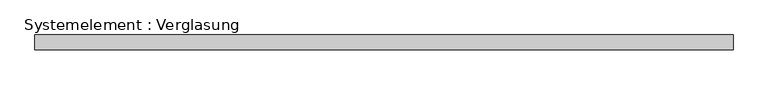
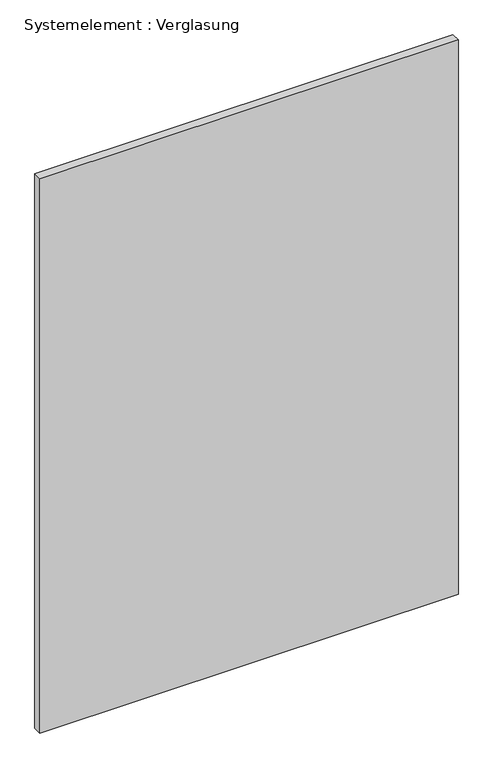
"""IFC4 building model written with IfcOpenShell, lengths in millimetres: plate geometry, Systemelement : Verglasung."""

import ifcopenshell
import ifcopenshell.guid

model = None  # the IFC model being written
_history = None  # IfcOwnerHistory: only IFC2X3 demands one
_inside = {}  # id of a spatial element -> (the spatial element, [elements in it])
_under = {}  # id of a project, library or spatial element -> (it, [spatial elements below it])
_declared = {}  # id of a project -> (the project, [libraries it declares])
_typed = {}  # id of a type object -> (the type object, [elements of that type])
_made_of = {}  # id of a material, layer set ... -> (it, [elements and type objects made of it])


def new_model(schema):
    """Start an empty IFC model of exactly this schema.

    Asked for "IFC4X3", IfcOpenShell would pick the latest addendum, in which some entities
    have other attributes; the version numbers below select the first issue.
    IFC2X3 requires an IfcOwnerHistory on every rooted entity: one is made here for all.
    """
    global model, _history
    if schema == "IFC4X3":
        model = ifcopenshell.file(schema_version=(4, 3, 0, 0))
    else:
        model = ifcopenshell.file(schema=schema)
    _inside.clear()
    _under.clear()
    _declared.clear()
    _typed.clear()
    _made_of.clear()
    _history = None
    if model.schema == "IFC2X3":
        org = make("IfcOrganization", Name="unknown")
        user = make(
            "IfcPersonAndOrganization",
            ThePerson=make("IfcPerson", FamilyName="unknown"),
            TheOrganization=org,
        )
        app = make(
            "IfcApplication",
            ApplicationDeveloper=org,
            Version="unknown",
            ApplicationFullName="unknown",
            ApplicationIdentifier="unknown",
        )
        _history = make(
            "IfcOwnerHistory",
            OwningUser=user,
            OwningApplication=app,
            ChangeAction="ADDED",
            CreationDate=0,
        )
    return model


def make(cls, **values):
    """One entity of the class cls with the attributes given. An attribute that is None is left unset."""
    return model.create_entity(
        cls, **{name: value for name, value in values.items() if value is not None}
    )


def rooted(cls, **values):
    """An entity with a GlobalId (a new one), such as an element, a storey or a relation."""
    return make(cls, GlobalId=ifcopenshell.guid.new(), OwnerHistory=_history, **values)


def si_unit(unit_type, name, prefix=None):
    """IfcSIUnit, for example si_unit("LENGTHUNIT", "METRE", prefix="MILLI")."""
    return make("IfcSIUnit", UnitType=unit_type, Prefix=prefix, Name=name)


def assignment(units):
    """IfcUnitAssignment: the units of a project."""
    return None if units is None else make("IfcUnitAssignment", Units=units)


def point(xyz):
    """IfcCartesianPoint."""
    return None if xyz is None else make("IfcCartesianPoint", Coordinates=xyz)


def direction(xyz):
    """IfcDirection."""
    return None if xyz is None else make("IfcDirection", DirectionRatios=xyz)


def frame(location, z_axis=None, x_axis=None):
    """IfcAxis2Placement3D, a coordinate frame: its origin and axes. An axis left out is left unset."""
    return make(
        "IfcAxis2Placement3D",
        Location=point(location),
        Axis=direction(z_axis),
        RefDirection=direction(x_axis),
    )


def origin():
    """The frame at (0, 0, 0) with its axes left unset."""
    return frame((0.0, 0.0, 0.0))


def origin_with_axes():
    """The frame at (0, 0, 0) with the z axis (0, 0, 1) and the x axis (1, 0, 0) written out."""
    return frame((0.0, 0.0, 0.0), z_axis=(0.0, 0.0, 1.0), x_axis=(1.0, 0.0, 0.0))


def place(relative_to, where):
    """IfcLocalPlacement: puts the frame where relative to a parent placement (None: the world)."""
    return make(
        "IfcLocalPlacement", PlacementRelTo=relative_to, RelativePlacement=where
    )


def context(
    kind, dimensions, precision=None, world=None, true_north=None, identifier=None
):
    """IfcGeometricRepresentationContext, for example the 3D "Model" context."""
    return make(
        "IfcGeometricRepresentationContext",
        ContextIdentifier=identifier,
        ContextType=kind,
        CoordinateSpaceDimension=dimensions,
        Precision=precision,
        WorldCoordinateSystem=world,
        TrueNorth=true_north,
    )


def project(units=None, contexts=None):
    """IfcProject with its units and contexts."""
    return rooted(
        "IfcProject",
        Name="project",
        RepresentationContexts=contexts,
        UnitsInContext=assignment(units),
    )


def spatial(cls, under=None, at=None, **own):
    """A site, building, storey or space (cls), placed at a placement, below another one or the project."""
    s = rooted(cls, ObjectPlacement=at, **own)
    if under is not None:
        _under.setdefault(under.id(), (under, []))[1].append(s)
    return s


def polyline(points):
    """IfcPolyline through the points."""
    return make("IfcPolyline", Points=[point(p) for p in points])


def outline(outer, holes=None, kind="AREA"):
    """IfcArbitraryClosedProfileDef: a profile drawn as a closed curve; with holes, ...WithVoids."""
    if holes is None:
        return make("IfcArbitraryClosedProfileDef", ProfileType=kind, OuterCurve=outer)
    return make(
        "IfcArbitraryProfileDefWithVoids",
        ProfileType=kind,
        OuterCurve=outer,
        InnerCurves=holes,
    )


def extrude(swept, where, along, depth):
    """IfcExtrudedAreaSolid: the profile swept, set in the frame where, extruded along a direction by depth."""
    return make(
        "IfcExtrudedAreaSolid",
        SweptArea=swept,
        Position=where,
        ExtrudedDirection=direction(along),
        Depth=depth,
    )


def shape(context_of_items, identifier, shape_type, items):
    """IfcShapeRepresentation: the items that make up one representation, for example the "Body"."""
    return make(
        "IfcShapeRepresentation",
        ContextOfItems=context_of_items,
        RepresentationIdentifier=identifier,
        RepresentationType=shape_type,
        Items=items,
    )


def source(mapping_origin, context_of_items, identifier, shape_type, items):
    """IfcRepresentationMap: a shape defined once, which mapped items show again and again."""
    return make(
        "IfcRepresentationMap",
        MappingOrigin=mapping_origin,
        MappedRepresentation=shape(context_of_items, identifier, shape_type, items),
    )


def transform(
    local_origin,
    x_axis=None,
    y_axis=None,
    z_axis=None,
    scale=None,
    scale2=None,
    scale3=None,
    uniform=True,
):
    """IfcCartesianTransformationOperator3D, or its non-uniform kind. x_axis, y_axis, z_axis: its Axis1, 2, 3."""
    if uniform:
        return make(
            "IfcCartesianTransformationOperator3D",
            Axis1=direction(x_axis),
            Axis2=direction(y_axis),
            LocalOrigin=point(local_origin),
            Scale=scale,
            Axis3=direction(z_axis),
        )
    return make(
        "IfcCartesianTransformationOperator3DnonUniform",
        Axis1=direction(x_axis),
        Axis2=direction(y_axis),
        LocalOrigin=point(local_origin),
        Scale=scale,
        Axis3=direction(z_axis),
        Scale2=scale2,
        Scale3=scale3,
    )


def mapped(mapping_source, mapping_target):
    """IfcMappedItem: shows the shape of a source again, moved by a transform."""
    return make(
        "IfcMappedItem", MappingSource=mapping_source, MappingTarget=mapping_target
    )


def made_of(thing, what):
    """Note that an element or type object is made of a material, layer set ...; save() writes the relation."""
    if what is not None:
        _made_of.setdefault(what.id(), (what, []))[1].append(thing)
    return thing


def element(
    cls,
    number,
    at=None,
    inside=None,
    cuts=None,
    type_object=None,
    material=None,
    context=None,
    identifier="Body",
    shape_type=None,
    held_by="IfcProductDefinitionShape",
    body=None,
    shapes=None,
    **own,
):
    """One element of the class cls, such as IfcWall. Its Tag is "e" and its number.

    at: its placement. inside: the storey or other place that contains it. cuts: it is an
    opening in that element (IfcRelVoidsElement). A single representation is given by context,
    identifier, shape_type and body (its items); several are given by shapes. held_by: the class
    of the entity that holds the representations. save() writes the other relations.
    """
    e = rooted(cls, Tag="e%d" % number, ObjectPlacement=at, **own)
    if body is not None:
        shapes = [shape(context, identifier, shape_type, body)]
    if shapes is not None:
        e.Representation = make(held_by, Representations=shapes)
    if inside is not None:
        _inside.setdefault(inside.id(), (inside, []))[1].append(e)
    if cuts is not None:
        rooted(
            "IfcRelVoidsElement", RelatingBuildingElement=cuts, RelatedOpeningElement=e
        )
    if type_object is not None:
        _typed.setdefault(type_object.id(), (type_object, []))[1].append(e)
    return made_of(e, material)


def aggregate(whole, parts):
    """IfcRelAggregates: a whole, such as a stair, and the parts it consists of."""
    return rooted("IfcRelAggregates", RelatingObject=whole, RelatedObjects=parts)


def save(model, path):
    """Write the relations noted so far, then the file.

    IfcRelAggregates (storeys below a building ...), IfcRelContainedInSpatialStructure (elements
    in a storey), IfcRelDefinesByType, IfcRelAssociatesMaterial and IfcRelDeclares: one each for
    every whole, place, type object, material and project.
    """
    for whole, parts in _under.values():
        aggregate(whole, parts)
    for where, things in _inside.values():
        rooted(
            "IfcRelContainedInSpatialStructure",
            RelatedElements=things,
            RelatingStructure=where,
        )
    for kind, things in _typed.values():
        rooted("IfcRelDefinesByType", RelatedObjects=things, RelatingType=kind)
    for what, things in _made_of.values():
        rooted("IfcRelAssociatesMaterial", RelatedObjects=things, RelatingMaterial=what)
    for by, libraries in _declared.values():
        rooted("IfcRelDeclares", RelatingContext=by, RelatedDefinitions=libraries)
    model.write(path)


def systemelement_verglasung_d983b9ef(model_context):
    return source(origin(), model_context, "Body", "SweptSolid", [
        extrude(outline(polyline([(717.5147264, -15.0), (-717.5147264, -15.0), (-717.5147264, 15.0), (717.5147264, 15.0), (717.5147264, -15.0)])), origin_with_axes(), (0.0, 0.0, 1.0), 2010.0),
    ])


if __name__ == "__main__":
    model = new_model("IFC4")
    model_context = context("Model", 3, world=origin())
    ifc_project = project(units=[si_unit("LENGTHUNIT", "METRE", prefix="MILLI")], contexts=[model_context])
    site = spatial("IfcSite", under=ifc_project)
    building = spatial("IfcBuilding", under=site)
    placement = place(None, origin())
    systemelement_verglasung_shape = systemelement_verglasung_d983b9ef(model_context)
    element("IfcPlate", 1, ObjectType="Systemelement : Verglasung", at=placement, inside=building, context=model_context, shape_type="MappedRepresentation", body=[
        mapped(systemelement_verglasung_shape, transform((0.0, 0.0, 0.0), x_axis=(1.0, 0.0, 0.0), y_axis=(0.0, 1.0, 0.0), z_axis=(0.0, 0.0, 1.0))),
    ])
    save(model, "model.ifc")
